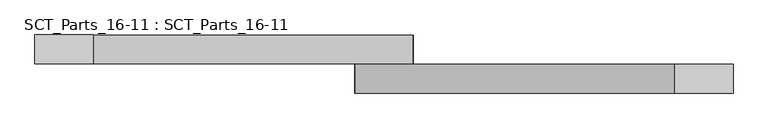
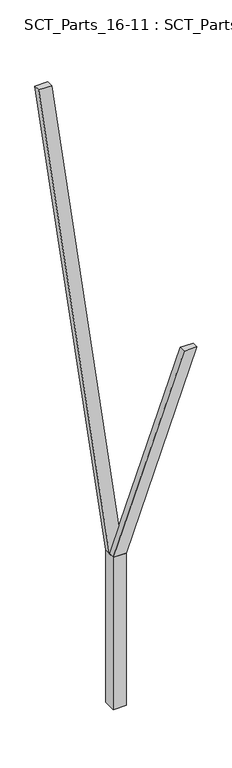
"""IFC4 building model written with IfcOpenShell, lengths in millimetres: proxy geometry, SCT_Parts_16-11 : SCT_Parts_16-11."""

from ifc_helpers import new_model, si_unit, frame, origin, origin_with_axes, place, context, project, spatial, polyline, outline, extrude, source, transform, mapped, element, save


def sct_parts_16_11_sct_parts_16_11_f7111dbe(model_context):
    return source(origin(), model_context, "Body", "SweptSolid", [
        extrude(outline(polyline([(2500.0, 200.0), (5500.0, 1300.0), (5500.0, 1100.0), (2500.0, 0.0), (2500.0, 200.0)])), frame((0.0, -200.0, 0.0), z_axis=(0.0, 1.0, 0.0), x_axis=(0.0, 0.0, 1.0)), (0.0, 0.0, 1.0), 100.0),
        extrude(outline(polyline([(2500.0, 0.0), (2500.0, 200.0), (10500.0, -900.0), (10500.0, -1100.0), (2500.0, 0.0)])), frame((0.0, -100.0, 0.0), z_axis=(0.0, 1.0, 0.0), x_axis=(0.0, 0.0, 1.0)), (0.0, 0.0, 1.0), 100.0),
        extrude(outline(polyline([(200.0, -200.0), (0.0, -200.0), (0.0, 0.0), (200.0, 0.0), (200.0, -200.0)])), origin_with_axes(), (0.0, 0.0, 1.0), 2500.0),
    ])


if __name__ == "__main__":
    model = new_model("IFC4")
    model_context = context("Model", 3, world=origin())
    ifc_project = project(units=[si_unit("LENGTHUNIT", "METRE", prefix="MILLI")], contexts=[model_context])
    site = spatial("IfcSite", under=ifc_project)
    building = spatial("IfcBuilding", under=site)
    placement = place(None, origin())
    sct_parts_16_11_sct_parts_16_11_shape = sct_parts_16_11_sct_parts_16_11_f7111dbe(model_context)
    element("IfcBuildingElementProxy", 1, Name="SCT_Parts_16-11 : SCT_Parts_16-11", ObjectType="SCT_Parts_16-11 : SCT_Parts_16-11", at=placement, inside=building, context=model_context, shape_type="MappedRepresentation", body=[
        mapped(sct_parts_16_11_sct_parts_16_11_shape, transform((0.0, 0.0, 0.0), x_axis=(1.0, 0.0, 0.0), y_axis=(0.0, 1.0, 0.0), z_axis=(0.0, 0.0, 1.0))),
    ])
    save(model, "model.ifc")
